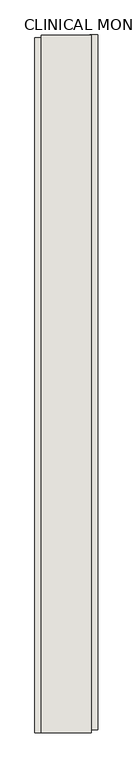
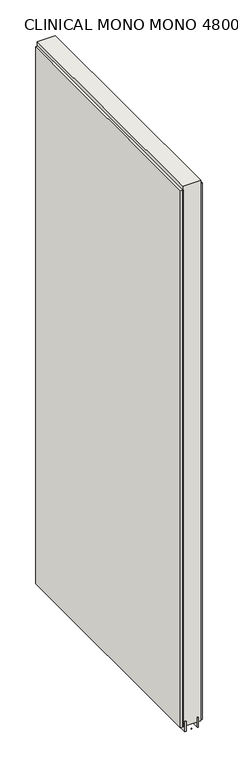
"""IFC4 building model written with IfcOpenShell, lengths in millimetres: wall geometry, CLINICAL MONO MONO 480081 : CLINICAL MONO MONO 480081."""

from ifc_helpers import new_model, si_unit, frame, origin, place, context, project, spatial, polyline, outline, extrude, source, transform, mapped, element, save


def clinical_mono_mono_480081_clinical_mono_mono_480081_ad391e4b(model_context):
    return source(origin(), model_context, "Body", "SweptSolid", [
        extrude(outline(polyline([(61066.082211, -56263.7421586), (61066.082211, -56266.2821586), (61063.542211, -56266.2821586), (61063.542211, -56263.7421586), (61066.082211, -56263.7421586)])), frame((0.0, 0.0, 4419.6), z_axis=(0.0, 0.0, 1.0), x_axis=(1.0, 0.0, 0.0)), (0.0, 0.0, 1.0), 2.54),
        extrude(outline(polyline([(61014.012211, -56266.7496202), (61014.012211, -55141.5819442), (61026.712211, -55141.5819442), (61026.712211, -56266.7496202), (61014.012211, -56266.7496202)])), frame((0.0, 0.0, 4445.0), z_axis=(0.0, 0.0, 1.0), x_axis=(1.0, 0.0, 0.0)), (0.0, 0.0, 1.0), 2545.0498756),
        extrude(outline(polyline([(61115.612211, -55136.6520074), (61115.612211, -56261.8196834), (61102.912211, -56261.8196834), (61102.912211, -55136.6520074), (61115.612211, -55136.6520074)])), frame((0.0, 0.0, 4445.0), z_axis=(0.0, 0.0, 1.0), x_axis=(1.0, 0.0, 0.0)), (0.0, 0.0, 1.0), 2545.0498756),
        extrude(outline(polyline([(61039.7284664, -55137.124422), (61039.7284664, -56266.2834032), (61034.649711, -56266.2834032), (61034.649711, -55137.124422), (61039.7284664, -55137.124422)])), frame((0.0, 0.0, 4418.6602), z_axis=(0.0, 0.0, 1.0), x_axis=(1.0, 0.0, 0.0)), (0.0, 0.0, 1.0), 47.625),
        extrude(outline(polyline([(61039.7284664, -55137.124422), (61039.7284664, -56266.2834032), (61034.649711, -56266.2834032), (61034.649711, -55137.124422), (61039.7284664, -55137.124422)])), frame((0.0, 0.0, 4418.6602), z_axis=(0.0, 0.0, 1.0), x_axis=(1.0, 0.0, 0.0)), (0.0, 0.0, 1.0), 47.625),
        extrude(outline(polyline([(61089.8959556, -56266.2834032), (61089.8959556, -55137.124422), (61094.974711, -55137.124422), (61094.974711, -56266.2834032), (61089.8959556, -56266.2834032)])), frame((0.0, 0.0, 4418.6602), z_axis=(0.0, 0.0, 1.0), x_axis=(1.0, 0.0, 0.0)), (0.0, 0.0, 1.0), 47.625),
        extrude(outline(polyline([(61089.8959556, -56266.2834032), (61089.8959556, -55137.124422), (61094.974711, -55137.124422), (61094.974711, -56266.2834032), (61089.8959556, -56266.2834032)])), frame((0.0, 0.0, 4418.6602), z_axis=(0.0, 0.0, 1.0), x_axis=(1.0, 0.0, 0.0)), (0.0, 0.0, 1.0), 47.625),
        extrude(outline(polyline([(61024.1573266, -55137.0996062), (61105.4670954, -55137.0996062), (61105.4670954, -56266.2834032), (61024.1573266, -56266.2834032), (61024.1573266, -55137.0996062)])), frame((0.0, 0.0, 4445.0), z_axis=(0.0, 0.0, 1.0), x_axis=(1.0, 0.0, 0.0)), (0.0, 0.0, 1.0), 2562.4536762),
    ])


if __name__ == "__main__":
    model = new_model("IFC4")
    model_context = context("Model", 3, world=origin())
    ifc_project = project(units=[si_unit("LENGTHUNIT", "METRE", prefix="MILLI")], contexts=[model_context])
    site = spatial("IfcSite", under=ifc_project)
    building = spatial("IfcBuilding", under=site)
    placement = place(None, origin())
    clinical_mono_mono_480081_clinical_mono_mono_480081_shape = clinical_mono_mono_480081_clinical_mono_mono_480081_ad391e4b(model_context)
    element("IfcWall", 1, ObjectType="CLINICAL MONO MONO 480081 : CLINICAL MONO MONO 480081", at=placement, inside=building, context=model_context, shape_type="MappedRepresentation", body=[
        mapped(clinical_mono_mono_480081_clinical_mono_mono_480081_shape, transform((0.0, 0.0, 0.0), x_axis=(1.0, 0.0, 0.0), y_axis=(0.0, 1.0, 0.0), z_axis=(0.0, 0.0, 1.0))),
    ])
    save(model, "model.ifc")
